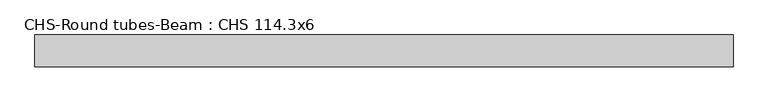
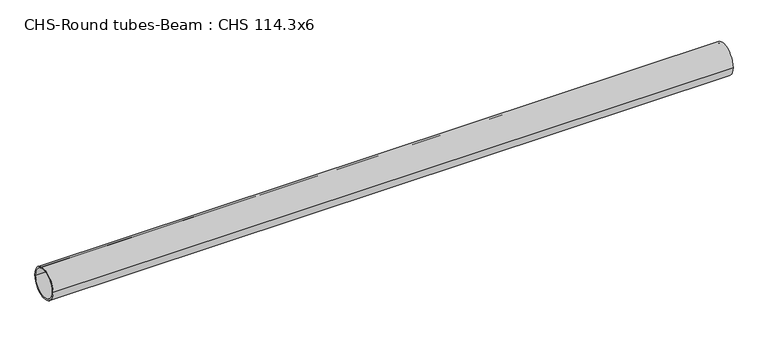
"""IFC4 building model written with IfcOpenShell, lengths in millimetres: beam geometry, CHS-Round tubes-Beam : CHS 114.3x6."""

from ifc_helpers import new_model, si_unit, point, frame, origin, origin_2d, place, context, project, spatial, circle_curve, trimmed, segment, composite_curve, outline, extrude, source, transform, mapped, element, save


def chs_round_tubes_beam_chs_114_3x6_996bc3e2(model_context):
    return source(origin(), model_context, "Body", "SweptSolid", [
        extrude(outline(composite_curve([segment(trimmed(circle_curve(origin_2d(), 57.15), [point((57.15, 0.0))], [point((-57.15, 0.0))], False, "CARTESIAN"), True, "CONTINUOUS"), segment(trimmed(circle_curve(origin_2d(), 57.15), [point((-57.15, 0.0))], [point((57.15, 0.0))], False, "CARTESIAN"), True, "CONTINUOUS")], self_intersect=False), holes=[composite_curve([segment(trimmed(circle_curve(origin_2d(), 51.15), [point((51.15, 0.0))], [point((-51.15, 0.0))], True, "CARTESIAN"), True, "CONTINUOUS"), segment(trimmed(circle_curve(origin_2d(), 51.15), [point((-51.15, 0.0))], [point((51.15, 0.0))], True, "CARTESIAN"), True, "CONTINUOUS")], self_intersect=False)]), frame((-1200.5319539, 0.0, 0.0), z_axis=(1.0, 0.0, 0.0), x_axis=(0.0, 1.0, 0.0)), (0.0, 0.0, 1.0), 2489.8140674),
    ])


if __name__ == "__main__":
    model = new_model("IFC4")
    model_context = context("Model", 3, world=origin())
    ifc_project = project(units=[si_unit("LENGTHUNIT", "METRE", prefix="MILLI")], contexts=[model_context])
    site = spatial("IfcSite", under=ifc_project)
    building = spatial("IfcBuilding", under=site)
    placement = place(None, origin())
    chs_round_tubes_beam_chs_114_3x6_shape = chs_round_tubes_beam_chs_114_3x6_996bc3e2(model_context)
    element("IfcBeam", 1, ObjectType="CHS-Round tubes-Beam : CHS 114.3x6", at=placement, inside=building, context=model_context, shape_type="MappedRepresentation", body=[
        mapped(chs_round_tubes_beam_chs_114_3x6_shape, transform((0.0, 0.0, 0.0), x_axis=(1.0, 0.0, 0.0), y_axis=(0.0, 1.0, 0.0), z_axis=(0.0, 0.0, 1.0))),
    ])
    save(model, "model.ifc")
